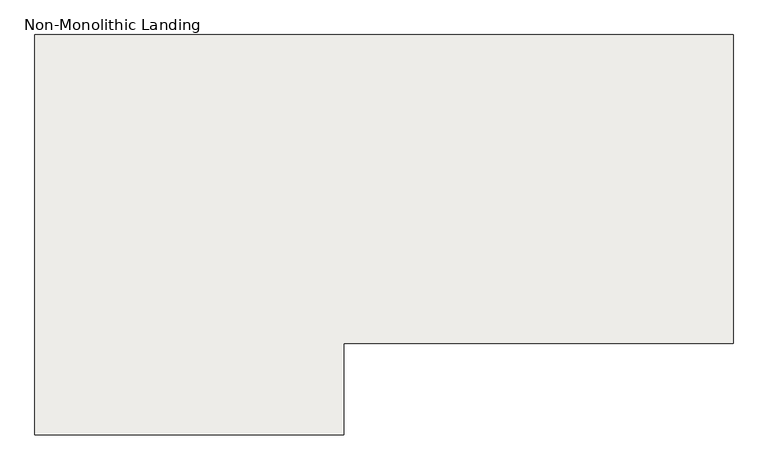
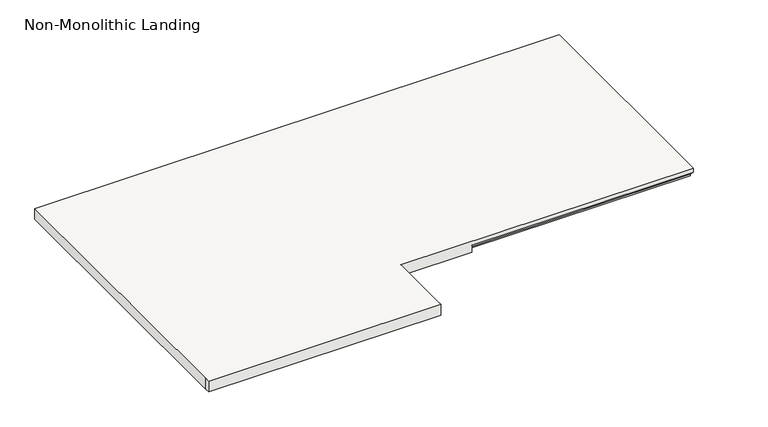
"""IFC4 building model written with IfcOpenShell, lengths in millimetres: slab geometry, Non-Monolithic Landing."""

from ifc_helpers import new_model, si_unit, origin, place, context, project, spatial, faceted_brep, source, transform, mapped, element, save


def non_monolithic_landing_cb9086b1(model_context):
    return source(origin(), model_context, "Body", "Brep", [
        faceted_brep([(-18126.0930445, 6447.7720312, 38034.6857143), (-20450.1930445, 6447.7720312, 38034.6857143), (-20450.1930445, 5140.0460566, 38034.6857143), (-20450.1930445, 5114.6460566, 38034.6857143), (-19421.8670699, 5114.6460566, 38034.6857143), (-19421.8670699, 5140.0460566, 38034.6857143), (-19421.8670699, 5419.4460566, 38034.6857143), (-18126.0930445, 5419.4460566, 38034.6857143), (-19107.5828216, 5444.8460566, 37983.8857143), (-19107.5828216, 5419.4460566, 37983.8857143), (-19421.8670699, 5419.4460566, 37983.8857143), (-19421.8670699, 5140.0460566, 37983.8857143), (-19421.8670699, 5114.6460566, 37983.8857143), (-20450.1930445, 5114.6460566, 37983.8857143), (-20450.1930445, 5140.0460566, 37983.8857143), (-20450.1930445, 6447.7720312, 37983.8857143), (-18126.0930445, 6447.7720312, 37983.8857143), (-18126.0930445, 5444.8460566, 37983.8857143), (-19107.5828216, 5444.8460566, 37990.2357143), (-19107.5828216, 5419.4460566, 38015.6357143), (-18126.0930445, 5444.8460566, 37990.2357143), (-18126.0930445, 5419.4460566, 38015.6357143)], [[[0, 1, 2, 3, 4, 5, 6, 7]], [[8, 9, 10, 11, 12, 13, 14, 15, 16, 17]], [[9, 8, 18, 19]], [[8, 17, 20, 18]], [[0, 7, 21, 20, 17, 16]], [[1, 0, 16, 15]], [[2, 1, 15, 14]], [[3, 2, 14, 13]], [[4, 3, 13, 12]], [[5, 4, 12, 11]], [[6, 5, 11, 10]], [[7, 6, 10, 9, 19, 21]], [[20, 21, 19, 18]]]),
    ])


if __name__ == "__main__":
    model = new_model("IFC4")
    model_context = context("Model", 3, world=origin())
    ifc_project = project(units=[si_unit("LENGTHUNIT", "METRE", prefix="MILLI")], contexts=[model_context])
    site = spatial("IfcSite", under=ifc_project)
    building = spatial("IfcBuilding", under=site)
    placement = place(None, origin())
    non_monolithic_landing_shape = non_monolithic_landing_cb9086b1(model_context)
    element("IfcSlab", 1, ObjectType="Non-Monolithic Landing", at=placement, inside=building, context=model_context, shape_type="MappedRepresentation", body=[
        mapped(non_monolithic_landing_shape, transform((0.0, 0.0, 0.0), x_axis=(1.0, 0.0, 0.0), y_axis=(0.0, 1.0, 0.0), z_axis=(0.0, 0.0, 1.0))),
    ])
    save(model, "model.ifc")
